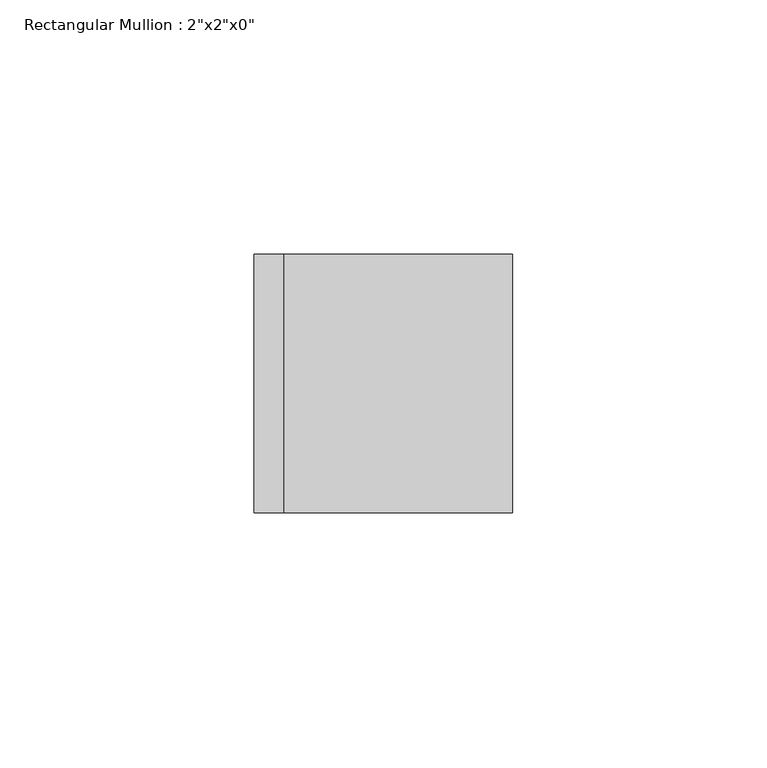
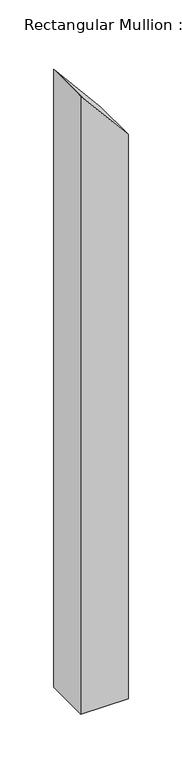
"""IFC4 building model written with IfcOpenShell, lengths in millimetres: member geometry."""

from ifc_helpers import new_model, si_unit, frame, origin, place, context, project, spatial, polyline, outline, extrude, source, transform, mapped, element, save


def member_58608214(model_context):
    return source(origin(), model_context, "Body", "SweptSolid", [
        extrude(outline(polyline([(-70.2391876, 25.4), (-16.2458946, -19.5251353), (-9.185186, -25.4), (-712.37502, -25.4), (-712.37502, 25.4), (-70.2391876, 25.4)])), frame((0.0, -25.4, 0.0), z_axis=(0.0, 1.0, 0.0), x_axis=(0.0, 0.0, 1.0)), (0.0, 0.0, 1.0), 50.8),
    ])


if __name__ == "__main__":
    model = new_model("IFC4")
    model_context = context("Model", 3, world=origin())
    ifc_project = project(units=[si_unit("LENGTHUNIT", "METRE", prefix="MILLI")], contexts=[model_context])
    site = spatial("IfcSite", under=ifc_project)
    building = spatial("IfcBuilding", under=site)
    placement = place(None, origin())
    member_shape = member_58608214(model_context)
    element("IfcMember", 1, ObjectType="Rectangular Mullion : 2\"x2\"x0\"", at=placement, inside=building, context=model_context, shape_type="MappedRepresentation", body=[
        mapped(member_shape, transform((0.0, 0.0, 0.0), x_axis=(1.0, 0.0, 0.0), y_axis=(0.0, 1.0, 0.0), z_axis=(0.0, 0.0, 1.0))),
    ])
    save(model, "model.ifc")
